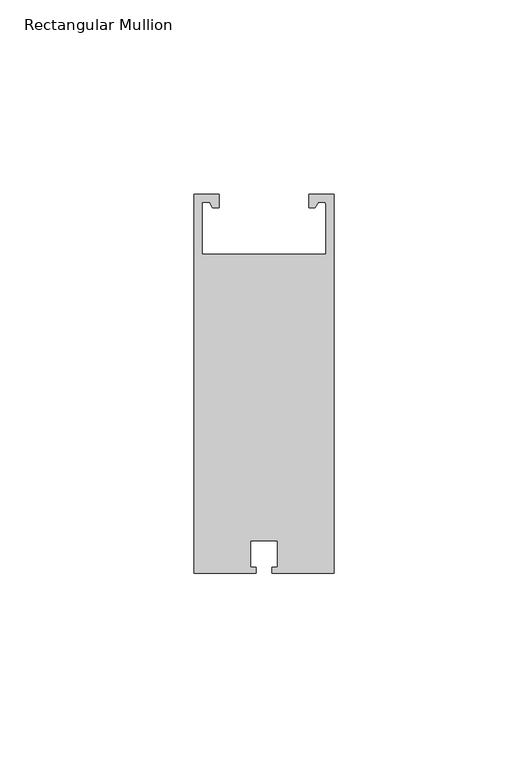
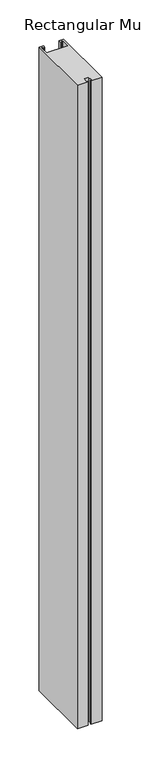
"""IFC4 building model written with IfcOpenShell, lengths in millimetres: member geometry, Rectangular Mullion."""

from ifc_helpers import new_model, si_unit, point, frame, frame_2d, origin, place, context, project, spatial, polyline, circle_curve, trimmed, segment, composite_curve, outline, extrude, source, transform, mapped, element, save


def rectangular_mullion_afa308f5(model_context):
    return source(origin(), model_context, "Body", "SweptSolid", [
        extrude(outline(composite_curve([segment(trimmed(circle_curve(frame_2d((-2.6, 94.964423)), 0.6), [point((-2.0, 94.964423))], [point((-2.6, 95.564423))], True, "CARTESIAN"), True, "CONTINUOUS"), segment(polyline([(-2.6, 95.564423), (-4.0, 95.564423), (-4.8206116, 94.143082), (-6.4, 94.143082), (-6.4, 97.564423), (0.0, 97.564423), (0.0, 0.064423), (-15.95, 0.064423), (-15.95, 1.564423), (-14.5, 1.564423), (-14.5, 8.364423), (-21.5, 8.364423), (-21.5, 1.564423), (-20.05, 1.564423), (-20.05, 0.064423), (-36.0, 0.064423), (-36.0, 97.564423), (-29.6, 97.564423), (-29.6, 94.143082), (-31.1793884, 94.143082), (-32.0, 95.564423), (-34.0, 95.564423), (-34.0, 82.064423), (-2.0, 82.064423), (-2.0, 94.964423)]), True, "CONTINUOUS")], self_intersect=False)), frame((0.0, 0.0, -1000.0), z_axis=(0.0, 0.0, 1.0), x_axis=(1.0, 0.0, 0.0)), (0.0, 0.0, 1.0), 1000.0),
    ])


if __name__ == "__main__":
    model = new_model("IFC4")
    model_context = context("Model", 3, world=origin())
    ifc_project = project(units=[si_unit("LENGTHUNIT", "METRE", prefix="MILLI")], contexts=[model_context])
    site = spatial("IfcSite", under=ifc_project)
    building = spatial("IfcBuilding", under=site)
    placement = place(None, origin())
    rectangular_mullion_shape = rectangular_mullion_afa308f5(model_context)
    element("IfcMember", 1, ObjectType="Rectangular Mullion", at=placement, inside=building, context=model_context, shape_type="MappedRepresentation", body=[
        mapped(rectangular_mullion_shape, transform((0.0, 0.0, 0.0), x_axis=(1.0, 0.0, 0.0), y_axis=(0.0, 1.0, 0.0), z_axis=(0.0, 0.0, 1.0))),
    ])
    save(model, "model.ifc")
